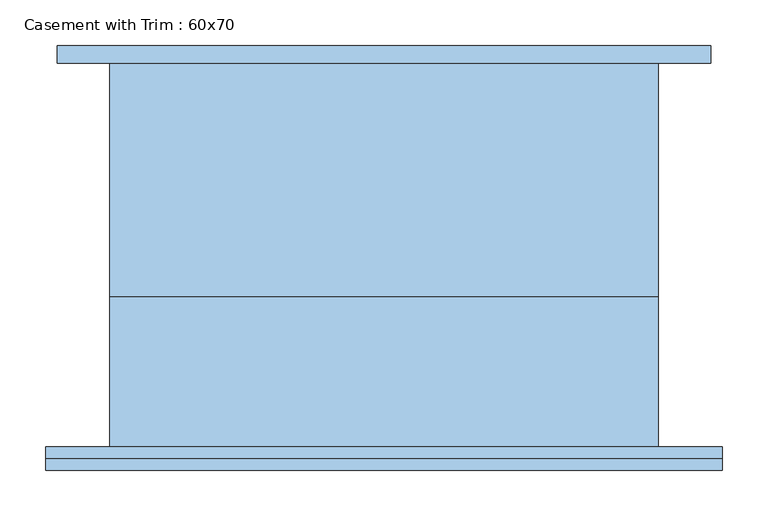
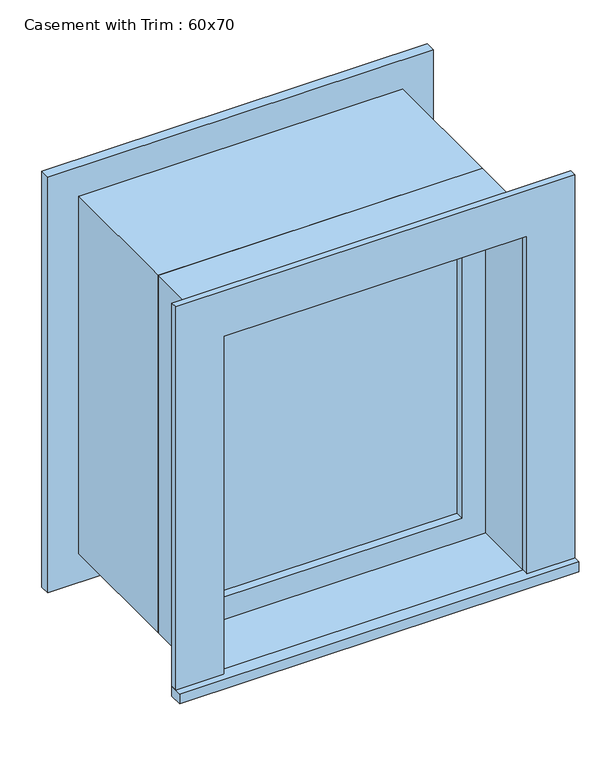
"""IFC4 building model written with IfcOpenShell, lengths in millimetres: window geometry, Casement with Trim : 60x70."""

from ifc_helpers import new_model, si_unit, frame, origin, place, context, project, spatial, polyline, outline, extrude, source, transform, mapped, element, save


def casement_with_trim_60x70_c5f4c5d4(model_context):
    return source(origin(), model_context, "Body", "SweptSolid", [
        extrude(outline(polyline([(-369.85, -235.4), (-369.85, -210.0), (369.85, -210.0), (369.85, -235.4), (-369.85, -235.4)])), frame((0.0, 0.0, 914.4), z_axis=(0.0, 0.0, 1.0), x_axis=(1.0, 0.0, 0.0)), (0.0, 0.0, 1.0), 19.05),
        extrude(outline(polyline([(1595.35, -280.95), (1595.35, 280.95), (933.45, 280.95), (933.45, 369.85), (1684.25, 369.85), (1684.25, -369.85), (933.45, -369.85), (933.45, -280.95), (1595.35, -280.95)])), frame((0.0, -222.7, 0.0), z_axis=(0.0, 1.0, 0.0), x_axis=(0.0, 0.0, 1.0)), (0.0, 0.0, 1.0), 12.7),
        extrude(outline(polyline([(1671.55, 357.15), (1671.55, -357.15), (857.25, -357.15), (857.25, 357.15), (1671.55, 357.15)]), holes=[polyline([(1582.65, 268.25), (946.15, 268.25), (946.15, -268.25), (1582.65, -268.25), (1582.65, 268.25)])]), frame((0.0, 210.0, 0.0), z_axis=(0.0, 1.0, 0.0), x_axis=(0.0, 0.0, 1.0)), (0.0, 0.0, 1.0), 19.05),
        extrude(outline(polyline([(236.5, -61.425), (236.5, -74.125), (-236.5, -74.125), (-236.5, -61.425), (236.5, -61.425)])), frame((0.0, 0.0, 977.9), z_axis=(0.0, 0.0, 1.0), x_axis=(1.0, 0.0, 0.0)), (0.0, 0.0, 1.0), 573.0),
        extrude(outline(polyline([(1595.35, -280.95), (933.45, -280.95), (933.45, 280.95), (1595.35, 280.95), (1595.35, -280.95)]), holes=[polyline([(1550.9, -236.5), (1550.9, 236.5), (977.9, 236.5), (977.9, -236.5), (1550.9, -236.5)])]), frame((0.0, -90.0, 0.0), z_axis=(0.0, 1.0, 0.0), x_axis=(0.0, 0.0, 1.0)), (0.0, 0.0, 1.0), 44.45),
        extrude(outline(polyline([(1614.4, -300.0), (914.4, -300.0), (914.4, 300.0), (1614.4, 300.0), (1614.4, -300.0)]), holes=[polyline([(1582.65, -268.25), (1582.65, 268.25), (946.15, 268.25), (946.15, -268.25), (1582.65, -268.25)])]), frame((0.0, -45.55, 0.0), z_axis=(0.0, 1.0, 0.0), x_axis=(0.0, 0.0, 1.0)), (0.0, 0.0, 1.0), 255.55),
        extrude(outline(polyline([(1614.4, 300.0), (1614.4, -300.0), (914.4, -300.0), (914.4, 300.0), (1614.4, 300.0)]), holes=[polyline([(1595.35, 280.95), (933.45, 280.95), (933.45, -280.95), (1595.35, -280.95), (1595.35, 280.95)])]), frame((0.0, -210.0, 0.0), z_axis=(0.0, 1.0, 0.0), x_axis=(0.0, 0.0, 1.0)), (0.0, 0.0, 1.0), 164.45),
    ])


if __name__ == "__main__":
    model = new_model("IFC4")
    model_context = context("Model", 3, world=origin())
    ifc_project = project(units=[si_unit("LENGTHUNIT", "METRE", prefix="MILLI")], contexts=[model_context])
    site = spatial("IfcSite", under=ifc_project)
    building = spatial("IfcBuilding", under=site)
    placement = place(None, origin())
    casement_with_trim_60x70_shape = casement_with_trim_60x70_c5f4c5d4(model_context)
    element("IfcWindow", 1, ObjectType="Casement with Trim : 60x70", at=placement, inside=building, context=model_context, shape_type="MappedRepresentation", body=[
        mapped(casement_with_trim_60x70_shape, transform((0.0, 0.0, 0.0), x_axis=(1.0, 0.0, 0.0), y_axis=(0.0, 1.0, 0.0), z_axis=(0.0, 0.0, 1.0))),
    ])
    save(model, "model.ifc")
